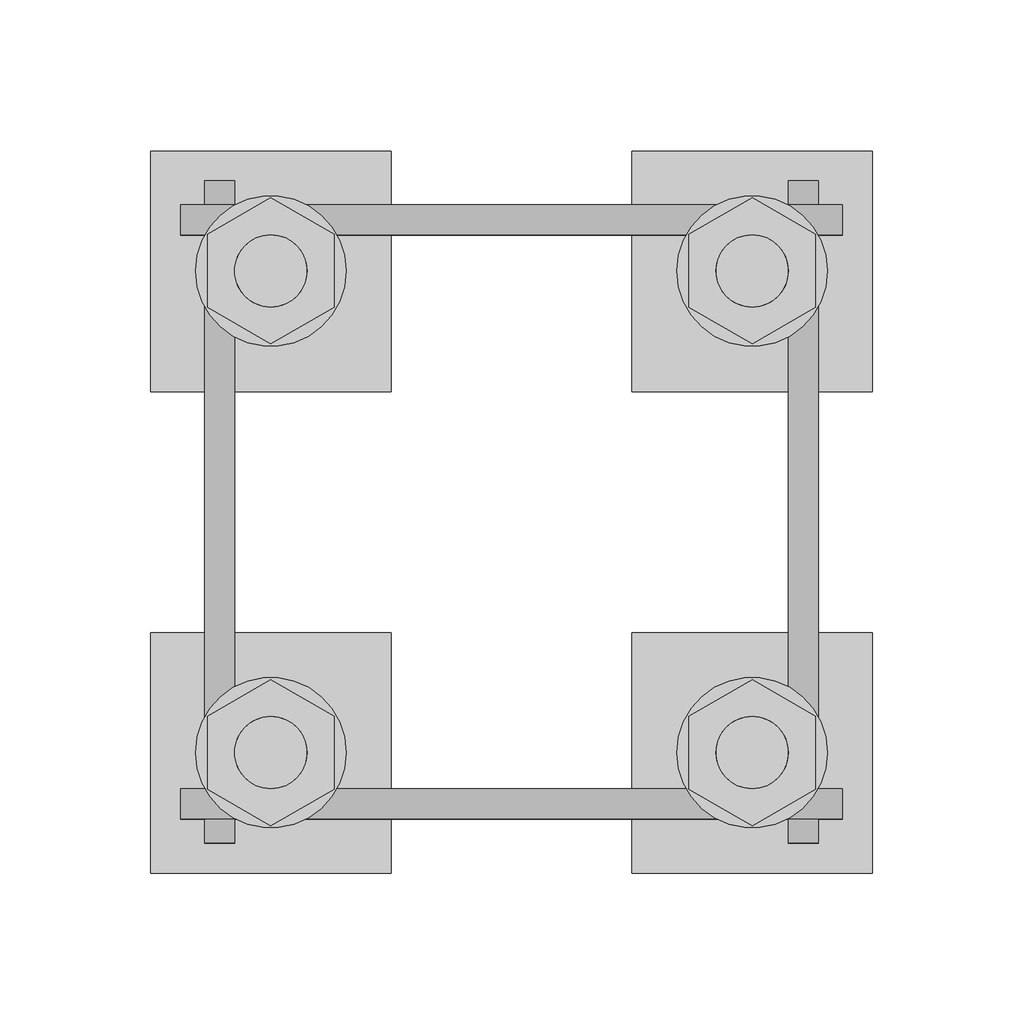
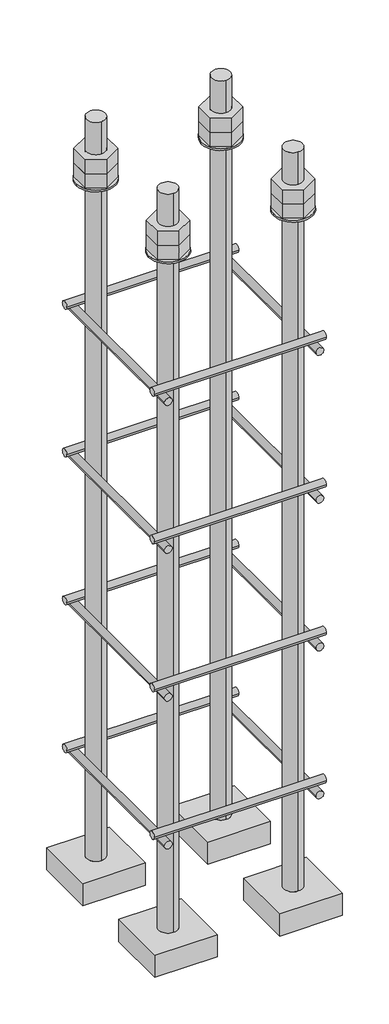
# One storey, part 17 of 66: 1 fastener.
"""IFC4 building model written with IfcOpenShell, lengths in millimetres."""

from ifc_helpers import new_model, si_unit, point, frame, frame_2d, origin, place, context, project, spatial, polyline, circle_curve, trimmed, segment, composite_curve, outline, extrude, element, save
from ifc_brep_helpers import plane_surface, cylinder_surface, advanced_brep

model = new_model("IFC4")

# Units and contexts
model_context = context("Model", 3, world=origin())
ifc_project = project(units=[si_unit("LENGTHUNIT", "METRE", prefix="MILLI")], contexts=[model_context])

# Site, building, storey
site = spatial("IfcSite", under=ifc_project)
building = spatial("IfcBuilding", under=site)
storey = spatial("IfcBuildingStorey", under=building, Elevation=9070.0)

# Fastener
placement = place(None, origin())
element("IfcFastener", 1, ObjectType="AU1 : AU-01", at=placement, inside=storey, context=model_context, shape_type="SolidModel", body=[
    extrude(outline(composite_curve([segment(trimmed(circle_curve(frame_2d((11343.0, 8795.0)), 5.0), [point((11338.0, 8795.0))], [point((11348.0, 8795.0))], False, "CARTESIAN"), True, "CONTINUOUS"), segment(trimmed(circle_curve(frame_2d((11343.0, 8795.0)), 5.0), [point((11348.0, 8795.0))], [point((11338.0, 8795.0))], False, "CARTESIAN"), True, "CONTINUOUS")], self_intersect=False)), frame((38740.0, 0.0, 0.0), z_axis=(1.0, 0.0, 0.0), x_axis=(0.0, 1.0, 0.0)), (0.0, 0.0, 1.0), 220.0),
    extrude(outline(composite_curve([segment(trimmed(circle_curve(frame_2d((11537.0, 8795.0)), 5.0), [point((11542.0, 8795.0))], [point((11532.0, 8795.0))], False, "CARTESIAN"), True, "CONTINUOUS"), segment(trimmed(circle_curve(frame_2d((11537.0, 8795.0)), 5.0), [point((11532.0, 8795.0))], [point((11542.0, 8795.0))], False, "CARTESIAN"), True, "CONTINUOUS")], self_intersect=False)), frame((38740.0, 0.0, 0.0), z_axis=(1.0, 0.0, 0.0), x_axis=(0.0, 1.0, 0.0)), (0.0, 0.0, 1.0), 220.0),
    extrude(outline(composite_curve([segment(trimmed(circle_curve(frame_2d((8785.0, 38753.0)), 5.0), [point((8785.0, 38748.0))], [point((8785.0, 38758.0))], False, "CARTESIAN"), True, "CONTINUOUS"), segment(trimmed(circle_curve(frame_2d((8785.0, 38753.0)), 5.0), [point((8785.0, 38758.0))], [point((8785.0, 38748.0))], False, "CARTESIAN"), True, "CONTINUOUS")], self_intersect=False)), frame((0.0, 11330.0, 0.0), z_axis=(0.0, 1.0, 0.0), x_axis=(0.0, 0.0, 1.0)), (0.0, 0.0, 1.0), 220.0),
    extrude(outline(composite_curve([segment(trimmed(circle_curve(frame_2d((8785.0, 38947.0)), 5.0), [point((8785.0, 38952.0))], [point((8785.0, 38942.0))], False, "CARTESIAN"), True, "CONTINUOUS"), segment(trimmed(circle_curve(frame_2d((8785.0, 38947.0)), 5.0), [point((8785.0, 38942.0))], [point((8785.0, 38952.0))], False, "CARTESIAN"), True, "CONTINUOUS")], self_intersect=False)), frame((0.0, 11330.0, 0.0), z_axis=(0.0, 1.0, 0.0), x_axis=(0.0, 0.0, 1.0)), (0.0, 0.0, 1.0), 220.0),
    extrude(outline(composite_curve([segment(trimmed(circle_curve(frame_2d((11343.0, 8995.0)), 5.0), [point((11338.0, 8995.0))], [point((11348.0, 8995.0))], False, "CARTESIAN"), True, "CONTINUOUS"), segment(trimmed(circle_curve(frame_2d((11343.0, 8995.0)), 5.0), [point((11348.0, 8995.0))], [point((11338.0, 8995.0))], False, "CARTESIAN"), True, "CONTINUOUS")], self_intersect=False)), frame((38740.0, 0.0, 0.0), z_axis=(1.0, 0.0, 0.0), x_axis=(0.0, 1.0, 0.0)), (0.0, 0.0, 1.0), 220.0),
    extrude(outline(composite_curve([segment(trimmed(circle_curve(frame_2d((11537.0, 8995.0)), 5.0), [point((11542.0, 8995.0))], [point((11532.0, 8995.0))], False, "CARTESIAN"), True, "CONTINUOUS"), segment(trimmed(circle_curve(frame_2d((11537.0, 8995.0)), 5.0), [point((11532.0, 8995.0))], [point((11542.0, 8995.0))], False, "CARTESIAN"), True, "CONTINUOUS")], self_intersect=False)), frame((38740.0, 0.0, 0.0), z_axis=(1.0, 0.0, 0.0), x_axis=(0.0, 1.0, 0.0)), (0.0, 0.0, 1.0), 220.0),
    extrude(outline(composite_curve([segment(trimmed(circle_curve(frame_2d((8985.0, 38753.0)), 5.0), [point((8985.0, 38748.0))], [point((8985.0, 38758.0))], False, "CARTESIAN"), True, "CONTINUOUS"), segment(trimmed(circle_curve(frame_2d((8985.0, 38753.0)), 5.0), [point((8985.0, 38758.0))], [point((8985.0, 38748.0))], False, "CARTESIAN"), True, "CONTINUOUS")], self_intersect=False)), frame((0.0, 11330.0, 0.0), z_axis=(0.0, 1.0, 0.0), x_axis=(0.0, 0.0, 1.0)), (0.0, 0.0, 1.0), 220.0),
    extrude(outline(composite_curve([segment(trimmed(circle_curve(frame_2d((8985.0, 38947.0)), 5.0), [point((8985.0, 38952.0))], [point((8985.0, 38942.0))], False, "CARTESIAN"), True, "CONTINUOUS"), segment(trimmed(circle_curve(frame_2d((8985.0, 38947.0)), 5.0), [point((8985.0, 38942.0))], [point((8985.0, 38952.0))], False, "CARTESIAN"), True, "CONTINUOUS")], self_intersect=False)), frame((0.0, 11330.0, 0.0), z_axis=(0.0, 1.0, 0.0), x_axis=(0.0, 0.0, 1.0)), (0.0, 0.0, 1.0), 220.0),
    extrude(outline(composite_curve([segment(trimmed(circle_curve(frame_2d((11343.0, 9195.0)), 5.0), [point((11338.0, 9195.0))], [point((11348.0, 9195.0))], False, "CARTESIAN"), True, "CONTINUOUS"), segment(trimmed(circle_curve(frame_2d((11343.0, 9195.0)), 5.0), [point((11348.0, 9195.0))], [point((11338.0, 9195.0))], False, "CARTESIAN"), True, "CONTINUOUS")], self_intersect=False)), frame((38740.0, 0.0, 0.0), z_axis=(1.0, 0.0, 0.0), x_axis=(0.0, 1.0, 0.0)), (0.0, 0.0, 1.0), 220.0),
    extrude(outline(composite_curve([segment(trimmed(circle_curve(frame_2d((11537.0, 9195.0)), 5.0), [point((11542.0, 9195.0))], [point((11532.0, 9195.0))], False, "CARTESIAN"), True, "CONTINUOUS"), segment(trimmed(circle_curve(frame_2d((11537.0, 9195.0)), 5.0), [point((11532.0, 9195.0))], [point((11542.0, 9195.0))], False, "CARTESIAN"), True, "CONTINUOUS")], self_intersect=False)), frame((38740.0, 0.0, 0.0), z_axis=(1.0, 0.0, 0.0), x_axis=(0.0, 1.0, 0.0)), (0.0, 0.0, 1.0), 220.0),
    extrude(outline(composite_curve([segment(trimmed(circle_curve(frame_2d((9185.0, 38753.0)), 5.0), [point((9185.0, 38748.0))], [point((9185.0, 38758.0))], False, "CARTESIAN"), True, "CONTINUOUS"), segment(trimmed(circle_curve(frame_2d((9185.0, 38753.0)), 5.0), [point((9185.0, 38758.0))], [point((9185.0, 38748.0))], False, "CARTESIAN"), True, "CONTINUOUS")], self_intersect=False)), frame((0.0, 11330.0, 0.0), z_axis=(0.0, 1.0, 0.0), x_axis=(0.0, 0.0, 1.0)), (0.0, 0.0, 1.0), 220.0),
    extrude(outline(composite_curve([segment(trimmed(circle_curve(frame_2d((9185.0, 38947.0)), 5.0), [point((9185.0, 38952.0))], [point((9185.0, 38942.0))], False, "CARTESIAN"), True, "CONTINUOUS"), segment(trimmed(circle_curve(frame_2d((9185.0, 38947.0)), 5.0), [point((9185.0, 38942.0))], [point((9185.0, 38952.0))], False, "CARTESIAN"), True, "CONTINUOUS")], self_intersect=False)), frame((0.0, 11330.0, 0.0), z_axis=(0.0, 1.0, 0.0), x_axis=(0.0, 0.0, 1.0)), (0.0, 0.0, 1.0), 220.0),
    extrude(outline(composite_curve([segment(trimmed(circle_curve(frame_2d((11343.0, 9395.0)), 5.0), [point((11338.0, 9395.0))], [point((11348.0, 9395.0))], False, "CARTESIAN"), True, "CONTINUOUS"), segment(trimmed(circle_curve(frame_2d((11343.0, 9395.0)), 5.0), [point((11348.0, 9395.0))], [point((11338.0, 9395.0))], False, "CARTESIAN"), True, "CONTINUOUS")], self_intersect=False)), frame((38740.0, 0.0, 0.0), z_axis=(1.0, 0.0, 0.0), x_axis=(0.0, 1.0, 0.0)), (0.0, 0.0, 1.0), 220.0),
    extrude(outline(composite_curve([segment(trimmed(circle_curve(frame_2d((11537.0, 9395.0)), 5.0), [point((11542.0, 9395.0))], [point((11532.0, 9395.0))], False, "CARTESIAN"), True, "CONTINUOUS"), segment(trimmed(circle_curve(frame_2d((11537.0, 9395.0)), 5.0), [point((11532.0, 9395.0))], [point((11542.0, 9395.0))], False, "CARTESIAN"), True, "CONTINUOUS")], self_intersect=False)), frame((38740.0, 0.0, 0.0), z_axis=(1.0, 0.0, 0.0), x_axis=(0.0, 1.0, 0.0)), (0.0, 0.0, 1.0), 220.0),
    extrude(outline(composite_curve([segment(trimmed(circle_curve(frame_2d((9385.0, 38753.0)), 5.0), [point((9385.0, 38748.0))], [point((9385.0, 38758.0))], False, "CARTESIAN"), True, "CONTINUOUS"), segment(trimmed(circle_curve(frame_2d((9385.0, 38753.0)), 5.0), [point((9385.0, 38758.0))], [point((9385.0, 38748.0))], False, "CARTESIAN"), True, "CONTINUOUS")], self_intersect=False)), frame((0.0, 11330.0, 0.0), z_axis=(0.0, 1.0, 0.0), x_axis=(0.0, 0.0, 1.0)), (0.0, 0.0, 1.0), 220.0),
    extrude(outline(composite_curve([segment(trimmed(circle_curve(frame_2d((9385.0, 38947.0)), 5.0), [point((9385.0, 38952.0))], [point((9385.0, 38942.0))], False, "CARTESIAN"), True, "CONTINUOUS"), segment(trimmed(circle_curve(frame_2d((9385.0, 38947.0)), 5.0), [point((9385.0, 38942.0))], [point((9385.0, 38952.0))], False, "CARTESIAN"), True, "CONTINUOUS")], self_intersect=False)), frame((0.0, 11330.0, 0.0), z_axis=(0.0, 1.0, 0.0), x_axis=(0.0, 0.0, 1.0)), (0.0, 0.0, 1.0), 220.0),
    advanced_brep(
    [(38810.0, 11560.0, 8650.0), (38730.0, 11560.0, 8650.0), (38730.0, 11480.0, 8650.0), (38810.0, 11480.0, 8650.0), (38770.0, 11508.0, 8650.0), (38770.0, 11532.0, 8650.0), (38810.0, 11560.0, 8620.0), (38810.0, 11480.0, 8620.0), (38730.0, 11480.0, 8620.0), (38730.0, 11560.0, 8620.0), (38770.0, 11532.0, 9650.0), (38770.0, 11508.0, 9650.0)],
    [
        (0, 1),
        (1, 2),
        (2, 3),
        (3, 0),
        (4, 5, circle_curve(frame((38770.0, 11520.0, 8650.0), z_axis=(0.0, 0.0, -1.0), x_axis=(0.0, -1.0, 0.0)), 12.0)),
        (5, 4, circle_curve(frame((38770.0, 11520.0, 8650.0), z_axis=(0.0, 0.0, -1.0), x_axis=(0.0, -1.0, 0.0)), 12.0)),
        (6, 7),
        (7, 8),
        (8, 9),
        (9, 6),
        (0, 6),
        (9, 1),
        (8, 2),
        (7, 3),
        (10, 11, circle_curve(frame((38770.0, 11520.0, 9650.0), z_axis=(0.0, 0.0, 1.0), x_axis=(0.0, -1.0, 0.0)), 12.0)),
        (11, 10, circle_curve(frame((38770.0, 11520.0, 9650.0), z_axis=(0.0, 0.0, 1.0), x_axis=(0.0, -1.0, 0.0)), 12.0)),
        (10, 5),
        (4, 11),
    ],
    [
        plane_surface(frame((38730.0, 11560.0, 8650.0), z_axis=(0.0, 0.0, 1.0), x_axis=(-1.0, 0.0, 0.0))),
        plane_surface(frame((38730.0, 11560.0, 8620.0), z_axis=(0.0, 0.0, -1.0), x_axis=(1.0, 0.0, 0.0))),
        plane_surface(frame((38810.0, 11560.0, 8650.0), z_axis=(0.0, 1.0, 0.0), x_axis=(0.0, 0.0, -1.0))),
        plane_surface(frame((38730.0, 11560.0, 8650.0), z_axis=(-1.0, 0.0, 0.0), x_axis=(0.0, 0.0, -1.0))),
        plane_surface(frame((38730.0, 11480.0, 8650.0), z_axis=(0.0, -1.0, 0.0), x_axis=(0.0, 0.0, -1.0))),
        plane_surface(frame((38810.0, 11480.0, 8650.0), z_axis=(1.0, 0.0, 0.0), x_axis=(0.0, 0.0, -1.0))),
        plane_surface(frame((38770.0, 11520.0, 9650.0), z_axis=(0.0, 0.0, 1.0), x_axis=(0.0, -1.0, 0.0))),
        cylinder_surface(frame((38770.0, 11520.0, 9650.0), z_axis=(0.0, 0.0, 1.0), x_axis=(0.0, -1.0, 0.0)), 12.0),
    ],
    [
        (0, [[1, 2, 3, 4], [5, 6]]),
        (1, [[7, 8, 9, 10]]),
        (2, [[-1, 11, -10, 12]]),
        (3, [[-2, -12, -9, 13]]),
        (4, [[-3, -13, -8, 14]]),
        (5, [[-4, -14, -7, -11]]),
        (6, [[15, 16]]),
        (7, [[-15, 17, -5, 18]]),
        (7, [[-16, -18, -6, -17]]),
    ],
),
    extrude(outline(composite_curve([segment(trimmed(circle_curve(frame_2d((38770.0, 11520.0)), 25.0), [point((38795.0, 11520.0))], [point((38745.0, 11520.0))], False, "CARTESIAN"), True, "CONTINUOUS"), segment(trimmed(circle_curve(frame_2d((38770.0, 11520.0)), 25.0), [point((38745.0, 11520.0))], [point((38795.0, 11520.0))], False, "CARTESIAN"), True, "CONTINUOUS")], self_intersect=False), holes=[composite_curve([segment(trimmed(circle_curve(frame_2d((38770.0, 11520.0)), 12.0), [point((38782.0, 11520.0))], [point((38758.0, 11520.0))], True, "CARTESIAN"), True, "CONTINUOUS"), segment(trimmed(circle_curve(frame_2d((38770.0, 11520.0)), 12.0), [point((38758.0, 11520.0))], [point((38782.0, 11520.0))], True, "CARTESIAN"), True, "CONTINUOUS")], self_intersect=False)]), frame((0.0, 0.0, 9565.0), z_axis=(0.0, 0.0, 1.0), x_axis=(1.0, 0.0, 0.0)), (0.0, 0.0, 1.0), 2.5),
    extrude(outline(polyline([(38770.0, 11544.2487113), (38791.0, 11532.1243557), (38791.0, 11507.8756443), (38770.0, 11495.7512887), (38749.0, 11507.8756443), (38749.0, 11532.1243557), (38770.0, 11544.2487113)]), holes=[composite_curve([segment(trimmed(circle_curve(frame_2d((38770.0, 11520.0)), 12.0), [point((38782.0, 11520.0))], [point((38758.0, 11520.0))], True, "CARTESIAN"), True, "CONTINUOUS"), segment(trimmed(circle_curve(frame_2d((38770.0, 11520.0)), 12.0), [point((38758.0, 11520.0))], [point((38782.0, 11520.0))], True, "CARTESIAN"), True, "CONTINUOUS")], self_intersect=False)]), frame((0.0, 0.0, 9587.0), z_axis=(0.0, 0.0, 1.0), x_axis=(1.0, 0.0, 0.0)), (0.0, 0.0, 1.0), 19.5),
    extrude(outline(polyline([(38770.0, 11544.2487113), (38791.0, 11532.1243557), (38791.0, 11507.8756443), (38770.0, 11495.7512887), (38749.0, 11507.8756443), (38749.0, 11532.1243557), (38770.0, 11544.2487113)]), holes=[composite_curve([segment(trimmed(circle_curve(frame_2d((38770.0, 11520.0)), 12.0), [point((38782.0, 11520.0))], [point((38758.0, 11520.0))], True, "CARTESIAN"), True, "CONTINUOUS"), segment(trimmed(circle_curve(frame_2d((38770.0, 11520.0)), 12.0), [point((38758.0, 11520.0))], [point((38782.0, 11520.0))], True, "CARTESIAN"), True, "CONTINUOUS")], self_intersect=False)]), frame((0.0, 0.0, 9567.5), z_axis=(0.0, 0.0, 1.0), x_axis=(1.0, 0.0, 0.0)), (0.0, 0.0, 1.0), 19.5),
    advanced_brep(
    [(38890.0, 11480.0, 8650.0), (38970.0, 11480.0, 8650.0), (38970.0, 11560.0, 8650.0), (38890.0, 11560.0, 8650.0), (38930.0, 11532.0, 8650.0), (38930.0, 11508.0, 8650.0), (38890.0, 11480.0, 8620.0), (38890.0, 11560.0, 8620.0), (38970.0, 11560.0, 8620.0), (38970.0, 11480.0, 8620.0), (38930.0, 11508.0, 9650.0), (38930.0, 11532.0, 9650.0)],
    [
        (0, 1),
        (1, 2),
        (2, 3),
        (3, 0),
        (4, 5, circle_curve(frame((38930.0, 11520.0, 8650.0), z_axis=(0.0, 0.0, -1.0), x_axis=(0.0, 1.0, 0.0)), 12.0)),
        (5, 4, circle_curve(frame((38930.0, 11520.0, 8650.0), z_axis=(0.0, 0.0, -1.0), x_axis=(0.0, 1.0, 0.0)), 12.0)),
        (6, 7),
        (7, 8),
        (8, 9),
        (9, 6),
        (0, 6),
        (9, 1),
        (8, 2),
        (7, 3),
        (10, 11, circle_curve(frame((38930.0, 11520.0, 9650.0), z_axis=(0.0, 0.0, 1.0), x_axis=(0.0, 1.0, 0.0)), 12.0)),
        (11, 10, circle_curve(frame((38930.0, 11520.0, 9650.0), z_axis=(0.0, 0.0, 1.0), x_axis=(0.0, 1.0, 0.0)), 12.0)),
        (10, 5),
        (4, 11),
    ],
    [
        plane_surface(frame((38970.0, 11480.0, 8650.0), z_axis=(0.0, 0.0, 1.0), x_axis=(1.0, 0.0, 0.0))),
        plane_surface(frame((38970.0, 11480.0, 8620.0), z_axis=(0.0, 0.0, -1.0), x_axis=(-1.0, 0.0, 0.0))),
        plane_surface(frame((38890.0, 11480.0, 8650.0), z_axis=(0.0, -1.0, 0.0), x_axis=(0.0, 0.0, -1.0))),
        plane_surface(frame((38970.0, 11480.0, 8650.0), z_axis=(1.0, 0.0, 0.0), x_axis=(0.0, 0.0, -1.0))),
        plane_surface(frame((38970.0, 11560.0, 8650.0), z_axis=(0.0, 1.0, 0.0), x_axis=(0.0, 0.0, -1.0))),
        plane_surface(frame((38890.0, 11560.0, 8650.0), z_axis=(-1.0, 0.0, 0.0), x_axis=(0.0, 0.0, -1.0))),
        plane_surface(frame((38930.0, 11520.0, 9650.0), z_axis=(0.0, 0.0, 1.0), x_axis=(0.0, 1.0, 0.0))),
        cylinder_surface(frame((38930.0, 11520.0, 9650.0), z_axis=(0.0, 0.0, 1.0), x_axis=(0.0, 1.0, 0.0)), 12.0),
    ],
    [
        (0, [[1, 2, 3, 4], [5, 6]]),
        (1, [[7, 8, 9, 10]]),
        (2, [[-1, 11, -10, 12]]),
        (3, [[-2, -12, -9, 13]]),
        (4, [[-3, -13, -8, 14]]),
        (5, [[-4, -14, -7, -11]]),
        (6, [[15, 16]]),
        (7, [[-15, 17, -5, 18]]),
        (7, [[-16, -18, -6, -17]]),
    ],
),
    extrude(outline(composite_curve([segment(trimmed(circle_curve(frame_2d((38930.0, 11520.0)), 25.0), [point((38905.0, 11520.0))], [point((38955.0, 11520.0))], False, "CARTESIAN"), True, "CONTINUOUS"), segment(trimmed(circle_curve(frame_2d((38930.0, 11520.0)), 25.0), [point((38955.0, 11520.0))], [point((38905.0, 11520.0))], False, "CARTESIAN"), True, "CONTINUOUS")], self_intersect=False), holes=[composite_curve([segment(trimmed(circle_curve(frame_2d((38930.0, 11520.0)), 12.0), [point((38918.0, 11520.0))], [point((38942.0, 11520.0))], True, "CARTESIAN"), True, "CONTINUOUS"), segment(trimmed(circle_curve(frame_2d((38930.0, 11520.0)), 12.0), [point((38942.0, 11520.0))], [point((38918.0, 11520.0))], True, "CARTESIAN"), True, "CONTINUOUS")], self_intersect=False)]), frame((0.0, 0.0, 9565.0), z_axis=(0.0, 0.0, 1.0), x_axis=(1.0, 0.0, 0.0)), (0.0, 0.0, 1.0), 2.5),
    extrude(outline(polyline([(38930.0, 11495.7512887), (38909.0, 11507.8756443), (38909.0, 11532.1243557), (38930.0, 11544.2487113), (38951.0, 11532.1243557), (38951.0, 11507.8756443), (38930.0, 11495.7512887)]), holes=[composite_curve([segment(trimmed(circle_curve(frame_2d((38930.0, 11520.0)), 12.0), [point((38918.0, 11520.0))], [point((38942.0, 11520.0))], True, "CARTESIAN"), True, "CONTINUOUS"), segment(trimmed(circle_curve(frame_2d((38930.0, 11520.0)), 12.0), [point((38942.0, 11520.0))], [point((38918.0, 11520.0))], True, "CARTESIAN"), True, "CONTINUOUS")], self_intersect=False)]), frame((0.0, 0.0, 9587.0), z_axis=(0.0, 0.0, 1.0), x_axis=(1.0, 0.0, 0.0)), (0.0, 0.0, 1.0), 19.5),
    extrude(outline(polyline([(38930.0, 11495.7512887), (38909.0, 11507.8756443), (38909.0, 11532.1243557), (38930.0, 11544.2487113), (38951.0, 11532.1243557), (38951.0, 11507.8756443), (38930.0, 11495.7512887)]), holes=[composite_curve([segment(trimmed(circle_curve(frame_2d((38930.0, 11520.0)), 12.0), [point((38918.0, 11520.0))], [point((38942.0, 11520.0))], True, "CARTESIAN"), True, "CONTINUOUS"), segment(trimmed(circle_curve(frame_2d((38930.0, 11520.0)), 12.0), [point((38942.0, 11520.0))], [point((38918.0, 11520.0))], True, "CARTESIAN"), True, "CONTINUOUS")], self_intersect=False)]), frame((0.0, 0.0, 9567.5), z_axis=(0.0, 0.0, 1.0), x_axis=(1.0, 0.0, 0.0)), (0.0, 0.0, 1.0), 19.5),
    advanced_brep(
    [(38890.0, 11320.0, 8650.0), (38970.0, 11320.0, 8650.0), (38970.0, 11400.0, 8650.0), (38890.0, 11400.0, 8650.0), (38930.0, 11372.0, 8650.0), (38930.0, 11348.0, 8650.0), (38890.0, 11320.0, 8620.0), (38890.0, 11400.0, 8620.0), (38970.0, 11400.0, 8620.0), (38970.0, 11320.0, 8620.0), (38930.0, 11348.0, 9650.0), (38930.0, 11372.0, 9650.0)],
    [
        (0, 1),
        (1, 2),
        (2, 3),
        (3, 0),
        (4, 5, circle_curve(frame((38930.0, 11360.0, 8650.0), z_axis=(0.0, 0.0, -1.0), x_axis=(0.0, 1.0, 0.0)), 12.0)),
        (5, 4, circle_curve(frame((38930.0, 11360.0, 8650.0), z_axis=(0.0, 0.0, -1.0), x_axis=(0.0, 1.0, 0.0)), 12.0)),
        (6, 7),
        (7, 8),
        (8, 9),
        (9, 6),
        (0, 6),
        (9, 1),
        (8, 2),
        (7, 3),
        (10, 11, circle_curve(frame((38930.0, 11360.0, 9650.0), z_axis=(0.0, 0.0, 1.0), x_axis=(0.0, 1.0, 0.0)), 12.0)),
        (11, 10, circle_curve(frame((38930.0, 11360.0, 9650.0), z_axis=(0.0, 0.0, 1.0), x_axis=(0.0, 1.0, 0.0)), 12.0)),
        (10, 5),
        (4, 11),
    ],
    [
        plane_surface(frame((38970.0, 11320.0, 8650.0), z_axis=(0.0, 0.0, 1.0), x_axis=(1.0, 0.0, 0.0))),
        plane_surface(frame((38970.0, 11320.0, 8620.0), z_axis=(0.0, 0.0, -1.0), x_axis=(-1.0, 0.0, 0.0))),
        plane_surface(frame((38890.0, 11320.0, 8650.0), z_axis=(0.0, -1.0, 0.0), x_axis=(0.0, 0.0, -1.0))),
        plane_surface(frame((38970.0, 11320.0, 8650.0), z_axis=(1.0, 0.0, 0.0), x_axis=(0.0, 0.0, -1.0))),
        plane_surface(frame((38970.0, 11400.0, 8650.0), z_axis=(0.0, 1.0, 0.0), x_axis=(0.0, 0.0, -1.0))),
        plane_surface(frame((38890.0, 11400.0, 8650.0), z_axis=(-1.0, 0.0, 0.0), x_axis=(0.0, 0.0, -1.0))),
        plane_surface(frame((38930.0, 11360.0, 9650.0), z_axis=(0.0, 0.0, 1.0), x_axis=(0.0, 1.0, 0.0))),
        cylinder_surface(frame((38930.0, 11360.0, 9650.0), z_axis=(0.0, 0.0, 1.0), x_axis=(0.0, 1.0, 0.0)), 12.0),
    ],
    [
        (0, [[1, 2, 3, 4], [5, 6]]),
        (1, [[7, 8, 9, 10]]),
        (2, [[-1, 11, -10, 12]]),
        (3, [[-2, -12, -9, 13]]),
        (4, [[-3, -13, -8, 14]]),
        (5, [[-4, -14, -7, -11]]),
        (6, [[15, 16]]),
        (7, [[-15, 17, -5, 18]]),
        (7, [[-16, -18, -6, -17]]),
    ],
),
    extrude(outline(composite_curve([segment(trimmed(circle_curve(frame_2d((38930.0, 11360.0)), 25.0), [point((38905.0, 11360.0))], [point((38955.0, 11360.0))], False, "CARTESIAN"), True, "CONTINUOUS"), segment(trimmed(circle_curve(frame_2d((38930.0, 11360.0)), 25.0), [point((38955.0, 11360.0))], [point((38905.0, 11360.0))], False, "CARTESIAN"), True, "CONTINUOUS")], self_intersect=False), holes=[composite_curve([segment(trimmed(circle_curve(frame_2d((38930.0, 11360.0)), 12.0), [point((38918.0, 11360.0))], [point((38942.0, 11360.0))], True, "CARTESIAN"), True, "CONTINUOUS"), segment(trimmed(circle_curve(frame_2d((38930.0, 11360.0)), 12.0), [point((38942.0, 11360.0))], [point((38918.0, 11360.0))], True, "CARTESIAN"), True, "CONTINUOUS")], self_intersect=False)]), frame((0.0, 0.0, 9565.0), z_axis=(0.0, 0.0, 1.0), x_axis=(1.0, 0.0, 0.0)), (0.0, 0.0, 1.0), 2.5),
    extrude(outline(polyline([(38930.0, 11335.7512887), (38909.0, 11347.8756443), (38909.0, 11372.1243557), (38930.0, 11384.2487113), (38951.0, 11372.1243557), (38951.0, 11347.8756443), (38930.0, 11335.7512887)]), holes=[composite_curve([segment(trimmed(circle_curve(frame_2d((38930.0, 11360.0)), 12.0), [point((38918.0, 11360.0))], [point((38942.0, 11360.0))], True, "CARTESIAN"), True, "CONTINUOUS"), segment(trimmed(circle_curve(frame_2d((38930.0, 11360.0)), 12.0), [point((38942.0, 11360.0))], [point((38918.0, 11360.0))], True, "CARTESIAN"), True, "CONTINUOUS")], self_intersect=False)]), frame((0.0, 0.0, 9587.0), z_axis=(0.0, 0.0, 1.0), x_axis=(1.0, 0.0, 0.0)), (0.0, 0.0, 1.0), 19.5),
    extrude(outline(polyline([(38930.0, 11335.7512887), (38909.0, 11347.8756443), (38909.0, 11372.1243557), (38930.0, 11384.2487113), (38951.0, 11372.1243557), (38951.0, 11347.8756443), (38930.0, 11335.7512887)]), holes=[composite_curve([segment(trimmed(circle_curve(frame_2d((38930.0, 11360.0)), 12.0), [point((38918.0, 11360.0))], [point((38942.0, 11360.0))], True, "CARTESIAN"), True, "CONTINUOUS"), segment(trimmed(circle_curve(frame_2d((38930.0, 11360.0)), 12.0), [point((38942.0, 11360.0))], [point((38918.0, 11360.0))], True, "CARTESIAN"), True, "CONTINUOUS")], self_intersect=False)]), frame((0.0, 0.0, 9567.5), z_axis=(0.0, 0.0, 1.0), x_axis=(1.0, 0.0, 0.0)), (0.0, 0.0, 1.0), 19.5),
    advanced_brep(
    [(38810.0, 11400.0, 8650.0), (38730.0, 11400.0, 8650.0), (38730.0, 11320.0, 8650.0), (38810.0, 11320.0, 8650.0), (38770.0, 11348.0, 8650.0), (38770.0, 11372.0, 8650.0), (38810.0, 11400.0, 8620.0), (38810.0, 11320.0, 8620.0), (38730.0, 11320.0, 8620.0), (38730.0, 11400.0, 8620.0), (38770.0, 11372.0, 9650.0), (38770.0, 11348.0, 9650.0)],
    [
        (0, 1),
        (1, 2),
        (2, 3),
        (3, 0),
        (4, 5, circle_curve(frame((38770.0, 11360.0, 8650.0), z_axis=(0.0, 0.0, -1.0), x_axis=(0.0, -1.0, 0.0)), 12.0)),
        (5, 4, circle_curve(frame((38770.0, 11360.0, 8650.0), z_axis=(0.0, 0.0, -1.0), x_axis=(0.0, -1.0, 0.0)), 12.0)),
        (6, 7),
        (7, 8),
        (8, 9),
        (9, 6),
        (0, 6),
        (9, 1),
        (8, 2),
        (7, 3),
        (10, 11, circle_curve(frame((38770.0, 11360.0, 9650.0), z_axis=(0.0, 0.0, 1.0), x_axis=(0.0, -1.0, 0.0)), 12.0)),
        (11, 10, circle_curve(frame((38770.0, 11360.0, 9650.0), z_axis=(0.0, 0.0, 1.0), x_axis=(0.0, -1.0, 0.0)), 12.0)),
        (10, 5),
        (4, 11),
    ],
    [
        plane_surface(frame((38730.0, 11400.0, 8650.0), z_axis=(0.0, 0.0, 1.0), x_axis=(-1.0, 0.0, 0.0))),
        plane_surface(frame((38730.0, 11400.0, 8620.0), z_axis=(0.0, 0.0, -1.0), x_axis=(1.0, 0.0, 0.0))),
        plane_surface(frame((38810.0, 11400.0, 8650.0), z_axis=(0.0, 1.0, 0.0), x_axis=(0.0, 0.0, -1.0))),
        plane_surface(frame((38730.0, 11400.0, 8650.0), z_axis=(-1.0, 0.0, 0.0), x_axis=(0.0, 0.0, -1.0))),
        plane_surface(frame((38730.0, 11320.0, 8650.0), z_axis=(0.0, -1.0, 0.0), x_axis=(0.0, 0.0, -1.0))),
        plane_surface(frame((38810.0, 11320.0, 8650.0), z_axis=(1.0, 0.0, 0.0), x_axis=(0.0, 0.0, -1.0))),
        plane_surface(frame((38770.0, 11360.0, 9650.0), z_axis=(0.0, 0.0, 1.0), x_axis=(0.0, -1.0, 0.0))),
        cylinder_surface(frame((38770.0, 11360.0, 9650.0), z_axis=(0.0, 0.0, 1.0), x_axis=(0.0, -1.0, 0.0)), 12.0),
    ],
    [
        (0, [[1, 2, 3, 4], [5, 6]]),
        (1, [[7, 8, 9, 10]]),
        (2, [[-1, 11, -10, 12]]),
        (3, [[-2, -12, -9, 13]]),
        (4, [[-3, -13, -8, 14]]),
        (5, [[-4, -14, -7, -11]]),
        (6, [[15, 16]]),
        (7, [[-15, 17, -5, 18]]),
        (7, [[-16, -18, -6, -17]]),
    ],
),
    extrude(outline(composite_curve([segment(trimmed(circle_curve(frame_2d((38770.0, 11360.0)), 25.0), [point((38795.0, 11360.0))], [point((38745.0, 11360.0))], False, "CARTESIAN"), True, "CONTINUOUS"), segment(trimmed(circle_curve(frame_2d((38770.0, 11360.0)), 25.0), [point((38745.0, 11360.0))], [point((38795.0, 11360.0))], False, "CARTESIAN"), True, "CONTINUOUS")], self_intersect=False), holes=[composite_curve([segment(trimmed(circle_curve(frame_2d((38770.0, 11360.0)), 12.0), [point((38782.0, 11360.0))], [point((38758.0, 11360.0))], True, "CARTESIAN"), True, "CONTINUOUS"), segment(trimmed(circle_curve(frame_2d((38770.0, 11360.0)), 12.0), [point((38758.0, 11360.0))], [point((38782.0, 11360.0))], True, "CARTESIAN"), True, "CONTINUOUS")], self_intersect=False)]), frame((0.0, 0.0, 9565.0), z_axis=(0.0, 0.0, 1.0), x_axis=(1.0, 0.0, 0.0)), (0.0, 0.0, 1.0), 2.5),
    extrude(outline(polyline([(38770.0, 11384.2487113), (38791.0, 11372.1243557), (38791.0, 11347.8756443), (38770.0, 11335.7512887), (38749.0, 11347.8756443), (38749.0, 11372.1243557), (38770.0, 11384.2487113)]), holes=[composite_curve([segment(trimmed(circle_curve(frame_2d((38770.0, 11360.0)), 12.0), [point((38782.0, 11360.0))], [point((38758.0, 11360.0))], True, "CARTESIAN"), True, "CONTINUOUS"), segment(trimmed(circle_curve(frame_2d((38770.0, 11360.0)), 12.0), [point((38758.0, 11360.0))], [point((38782.0, 11360.0))], True, "CARTESIAN"), True, "CONTINUOUS")], self_intersect=False)]), frame((0.0, 0.0, 9587.0), z_axis=(0.0, 0.0, 1.0), x_axis=(1.0, 0.0, 0.0)), (0.0, 0.0, 1.0), 19.5),
    extrude(outline(polyline([(38770.0, 11384.2487113), (38791.0, 11372.1243557), (38791.0, 11347.8756443), (38770.0, 11335.7512887), (38749.0, 11347.8756443), (38749.0, 11372.1243557), (38770.0, 11384.2487113)]), holes=[composite_curve([segment(trimmed(circle_curve(frame_2d((38770.0, 11360.0)), 12.0), [point((38782.0, 11360.0))], [point((38758.0, 11360.0))], True, "CARTESIAN"), True, "CONTINUOUS"), segment(trimmed(circle_curve(frame_2d((38770.0, 11360.0)), 12.0), [point((38758.0, 11360.0))], [point((38782.0, 11360.0))], True, "CARTESIAN"), True, "CONTINUOUS")], self_intersect=False)]), frame((0.0, 0.0, 9567.5), z_axis=(0.0, 0.0, 1.0), x_axis=(1.0, 0.0, 0.0)), (0.0, 0.0, 1.0), 19.5),
])

save(model, "model.ifc")
